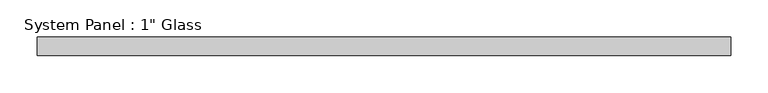
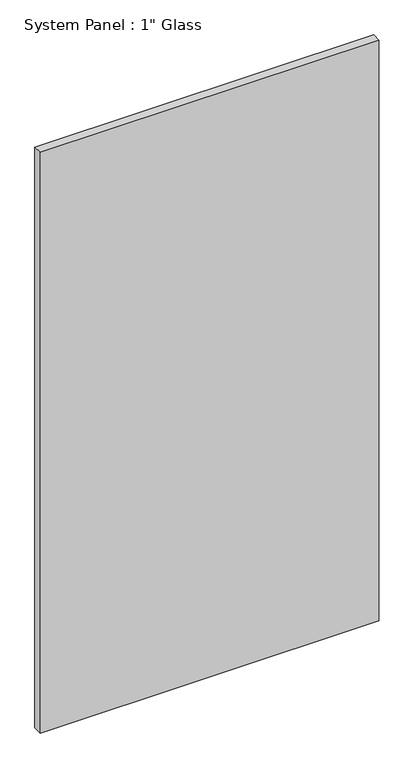
"""IFC4 building model written with IfcOpenShell, lengths in millimetres: plate geometry."""

from ifc_helpers import new_model, si_unit, origin, origin_with_axes, place, context, project, spatial, polyline, outline, extrude, source, transform, mapped, element, save


def plate_29a9ad90(model_context):
    return source(origin(), model_context, "Body", "SweptSolid", [
        extrude(outline(polyline([(467.5794208, -12.7), (-467.5794208, -12.7), (-467.5794208, 12.7), (467.5794208, 12.7), (467.5794208, -12.7)])), origin_with_axes(), (0.0, 0.0, 1.0), 1695.45),
    ])


if __name__ == "__main__":
    model = new_model("IFC4")
    model_context = context("Model", 3, world=origin())
    ifc_project = project(units=[si_unit("LENGTHUNIT", "METRE", prefix="MILLI")], contexts=[model_context])
    site = spatial("IfcSite", under=ifc_project)
    building = spatial("IfcBuilding", under=site)
    placement = place(None, origin())
    plate_shape = plate_29a9ad90(model_context)
    element("IfcPlate", 1, ObjectType="System Panel : 1\" Glass", at=placement, inside=building, context=model_context, shape_type="MappedRepresentation", body=[
        mapped(plate_shape, transform((0.0, 0.0, 0.0), x_axis=(1.0, 0.0, 0.0), y_axis=(0.0, 1.0, 0.0), z_axis=(0.0, 0.0, 1.0))),
    ])
    save(model, "model.ifc")
